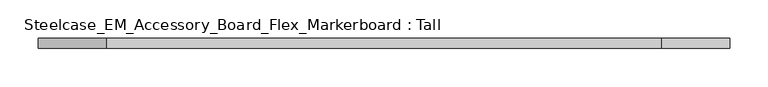
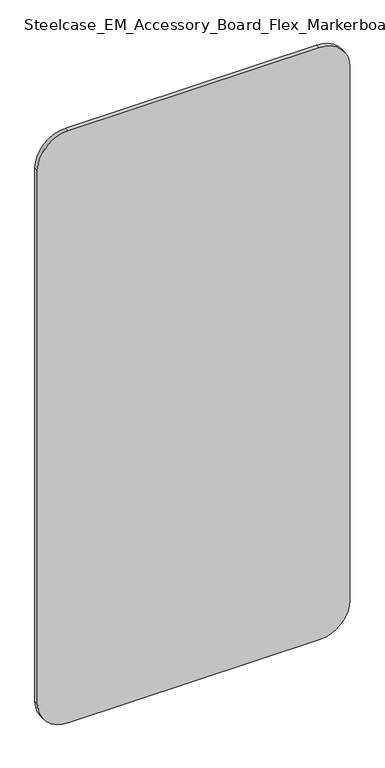
"""IFC4 building model written with IfcOpenShell, lengths in millimetres: furniture geometry, Steelcase_EM_Accessory_Board_Flex_Markerboard : Tall."""

from ifc_helpers import new_model, si_unit, point, frame, frame_2d, origin, place, context, project, spatial, polyline, circle_curve, trimmed, segment, composite_curve, outline, extrude, source, transform, mapped, element, save


def steelcase_em_accessory_board_flex_markerboard_tall_9156fb18(model_context):
    return source(origin(), model_context, "Body", "SweptSolid", [
        extrude(outline(composite_curve([segment(polyline([(1800.0, 811.1), (1800.0, 88.9)]), True, "CONTINUOUS"), segment(trimmed(circle_curve(frame_2d((1711.1, 88.9)), 88.9), [point((1800.0, 88.9))], [point((1711.1, 0.0))], False, "CARTESIAN"), True, "CONTINUOUS"), segment(polyline([(1711.1, 0.0), (88.9, 0.0)]), True, "CONTINUOUS"), segment(trimmed(circle_curve(frame_2d((88.9, 88.9)), 88.9), [point((88.9, 0.0))], [point((0.0, 88.9))], False, "CARTESIAN"), True, "CONTINUOUS"), segment(polyline([(0.0, 88.9), (0.0, 811.1)]), True, "CONTINUOUS"), segment(trimmed(circle_curve(frame_2d((88.9, 811.1)), 88.9), [point((0.0, 811.1))], [point((88.9, 900.0))], False, "CARTESIAN"), True, "CONTINUOUS"), segment(polyline([(88.9, 900.0), (1711.1, 900.0)]), True, "CONTINUOUS"), segment(trimmed(circle_curve(frame_2d((1711.1, 811.1)), 88.9), [point((1711.1, 900.0))], [point((1800.0, 811.1))], False, "CARTESIAN"), True, "CONTINUOUS")], self_intersect=False)), frame((0.0, 0.0, 0.0), z_axis=(0.0, 1.0, 0.0), x_axis=(0.0, 0.0, 1.0)), (0.0, 0.0, 1.0), 12.6927776),
    ])


if __name__ == "__main__":
    model = new_model("IFC4")
    model_context = context("Model", 3, world=origin())
    ifc_project = project(units=[si_unit("LENGTHUNIT", "METRE", prefix="MILLI")], contexts=[model_context])
    site = spatial("IfcSite", under=ifc_project)
    building = spatial("IfcBuilding", under=site)
    placement = place(None, origin())
    steelcase_em_accessory_board_flex_markerboard_tall_shape = steelcase_em_accessory_board_flex_markerboard_tall_9156fb18(model_context)
    element("IfcFurniture", 1, ObjectType="Steelcase_EM_Accessory_Board_Flex_Markerboard : Tall", at=placement, inside=building, context=model_context, shape_type="MappedRepresentation", body=[
        mapped(steelcase_em_accessory_board_flex_markerboard_tall_shape, transform((0.0, 0.0, 0.0), x_axis=(1.0, 0.0, 0.0), y_axis=(0.0, 1.0, 0.0), z_axis=(0.0, 0.0, 1.0))),
    ])
    save(model, "model.ifc")
